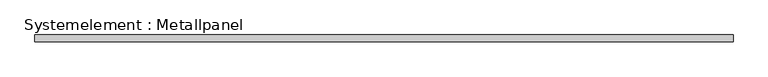
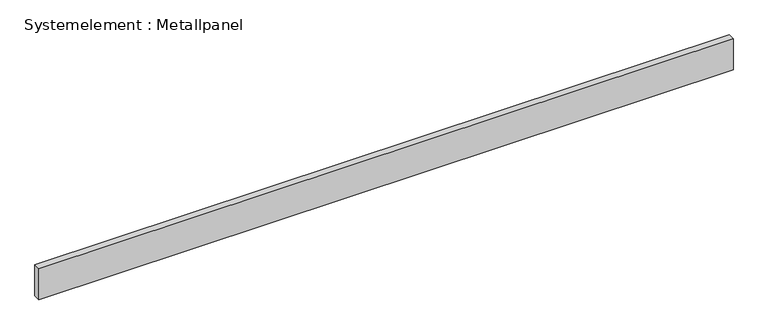
"""IFC4 building model written with IfcOpenShell, lengths in millimetres: plate geometry, Systemelement : Metallpanel."""

from ifc_helpers import new_model, si_unit, origin, origin_with_axes, place, context, project, spatial, polyline, outline, extrude, source, transform, mapped, element, save


def systemelement_metallpanel_5da03667(model_context):
    return source(origin(), model_context, "Body", "SweptSolid", [
        extrude(outline(polyline([(1530.0321742, -15.0), (-1530.0321742, -15.0), (-1530.0321742, 15.0), (1530.0321742, 15.0), (1530.0321742, -15.0)])), origin_with_axes(), (0.0, 0.0, 1.0), 145.0),
    ])


if __name__ == "__main__":
    model = new_model("IFC4")
    model_context = context("Model", 3, world=origin())
    ifc_project = project(units=[si_unit("LENGTHUNIT", "METRE", prefix="MILLI")], contexts=[model_context])
    site = spatial("IfcSite", under=ifc_project)
    building = spatial("IfcBuilding", under=site)
    placement = place(None, origin())
    systemelement_metallpanel_shape = systemelement_metallpanel_5da03667(model_context)
    element("IfcPlate", 1, ObjectType="Systemelement : Metallpanel", at=placement, inside=building, context=model_context, shape_type="MappedRepresentation", body=[
        mapped(systemelement_metallpanel_shape, transform((0.0, 0.0, 0.0), x_axis=(1.0, 0.0, 0.0), y_axis=(0.0, 1.0, 0.0), z_axis=(0.0, 0.0, 1.0))),
    ])
    save(model, "model.ifc")
